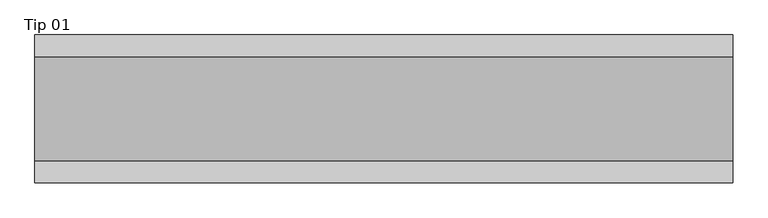
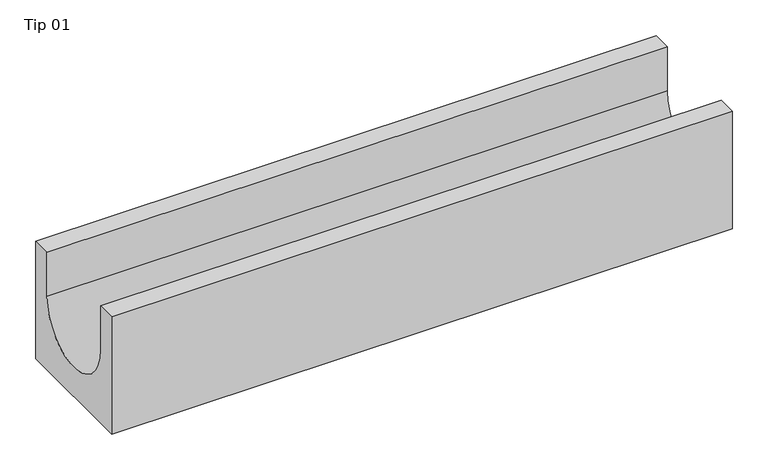
"""IFC4 building model written with IfcOpenShell, lengths in millimetres: proxy geometry, Tip 01."""

from ifc_helpers import new_model, si_unit, point, frame, frame_2d, origin, place, context, project, spatial, polyline, circle_curve, trimmed, segment, composite_curve, outline, extrude, source, transform, mapped, element, save


def tip_01_479045af(model_context):
    return source(origin(), model_context, "Body", "SweptSolid", [
        extrude(outline(composite_curve([segment(polyline([(-106.0, -200.0), (-106.0, 0.0), (-75.0, 0.0), (-75.0, -75.0)]), True, "CONTINUOUS"), segment(trimmed(circle_curve(frame_2d((0.0, -75.0)), 75.0), [point((-75.0, -75.0))], [point((75.0, -75.0))], True, "CARTESIAN"), True, "CONTINUOUS"), segment(polyline([(75.0, -75.0), (75.0, 0.0), (106.0, 0.0), (106.0, -200.0), (-106.0, -200.0)]), True, "CONTINUOUS")], self_intersect=False)), frame((0.0, 0.0, 0.0), z_axis=(1.0, 0.0, 0.0), x_axis=(0.0, 1.0, 0.0)), (0.0, 0.0, 1.0), 1000.0),
    ])


if __name__ == "__main__":
    model = new_model("IFC4")
    model_context = context("Model", 3, world=origin())
    ifc_project = project(units=[si_unit("LENGTHUNIT", "METRE", prefix="MILLI")], contexts=[model_context])
    site = spatial("IfcSite", under=ifc_project)
    building = spatial("IfcBuilding", under=site)
    placement = place(None, origin())
    tip_01_shape = tip_01_479045af(model_context)
    element("IfcBuildingElementProxy", 1, Name="Tip 01", ObjectType="Tip 01", at=placement, inside=building, context=model_context, shape_type="MappedRepresentation", body=[
        mapped(tip_01_shape, transform((0.0, 0.0, 0.0), x_axis=(1.0, 0.0, 0.0), y_axis=(0.0, 1.0, 0.0), z_axis=(0.0, 0.0, 1.0))),
    ])
    save(model, "model.ifc")
